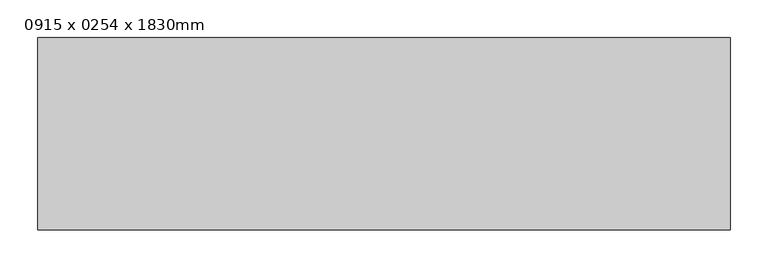
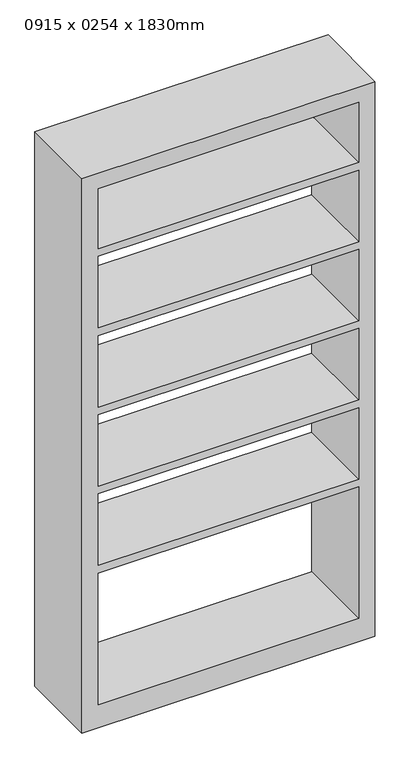
"""IFC4 building model written with IfcOpenShell, lengths in millimetres: furniture geometry, 0915 x 0254 x 1830mm."""

from ifc_helpers import new_model, si_unit, frame, origin, place, context, project, spatial, polyline, outline, extrude, source, transform, mapped, element, save


def furniture_0915_x_0254_x_1830mm_1d5e155e(model_context):
    return source(origin(), model_context, "Body", "SweptSolid", [
        extrude(outline(polyline([(0.0, 457.5), (1830.0, 457.5), (1830.0, -457.5), (0.0, -457.5), (0.0, 457.5)]), holes=[polyline([(1779.2, 406.7), (1581.2714286, 406.7), (1581.2714286, -406.7), (1779.2, -406.7), (1779.2, 406.7)]), polyline([(76.2, 406.7), (76.2, -406.7), (510.1571429, -406.7), (510.1571429, 406.7), (76.2, 406.7)]), polyline([(1058.4142857, -406.7), (1294.4428571, -406.7), (1294.4428571, 406.7), (1058.4142857, 406.7), (1058.4142857, -406.7)]), polyline([(1555.8714286, 406.7), (1319.8428571, 406.7), (1319.8428571, -406.7), (1555.8714286, -406.7), (1555.8714286, 406.7)]), polyline([(1033.0142857, 406.7), (796.9857143, 406.7), (796.9857143, -406.7), (1033.0142857, -406.7), (1033.0142857, 406.7)]), polyline([(771.5857143, 406.7), (535.5571429, 406.7), (535.5571429, -406.7), (771.5857143, -406.7), (771.5857143, 406.7)])]), frame((0.0, -431.8, 0.0), z_axis=(0.0, 1.0, 0.0), x_axis=(0.0, 0.0, 1.0)), (0.0, 0.0, 1.0), 254.0),
    ])


if __name__ == "__main__":
    model = new_model("IFC4")
    model_context = context("Model", 3, world=origin())
    ifc_project = project(units=[si_unit("LENGTHUNIT", "METRE", prefix="MILLI")], contexts=[model_context])
    site = spatial("IfcSite", under=ifc_project)
    building = spatial("IfcBuilding", under=site)
    placement = place(None, origin())
    furniture_0915_x_0254_x_1830mm_shape = furniture_0915_x_0254_x_1830mm_1d5e155e(model_context)
    element("IfcFurniture", 1, ObjectType="0915 x 0254 x 1830mm", at=placement, inside=building, context=model_context, shape_type="MappedRepresentation", body=[
        mapped(furniture_0915_x_0254_x_1830mm_shape, transform((0.0, 0.0, 0.0), x_axis=(1.0, 0.0, 0.0), y_axis=(0.0, 1.0, 0.0), z_axis=(0.0, 0.0, 1.0))),
    ])
    save(model, "model.ifc")
